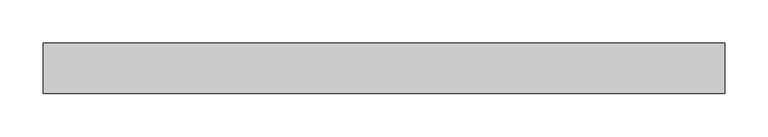
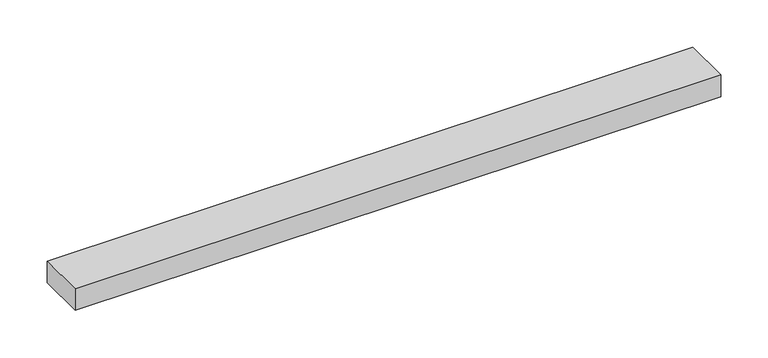
"""IFC4 building model written with IfcOpenShell, lengths in millimetres: proxy geometry."""

from ifc_helpers import new_model, si_unit, frame, origin, place, context, project, spatial, polyline, outline, extrude, source, transform, mapped, element, save


def specialty_equipment_9c6634e9(model_context):
    return source(origin(), model_context, "Body", "SweptSolid", [
        extrude(outline(polyline([(-393.7, 29.2199219), (393.7, 29.2199219), (393.7, -29.2199219), (-393.7, -29.2199219), (-393.7, 29.2199219)])), frame((0.0, 0.0, -13.9898438), z_axis=(0.0, 0.0, 1.0), x_axis=(1.0, 0.0, 0.0)), (0.0, 0.0, 1.0), 27.9796875),
    ])


if __name__ == "__main__":
    model = new_model("IFC4")
    model_context = context("Model", 3, world=origin())
    ifc_project = project(units=[si_unit("LENGTHUNIT", "METRE", prefix="MILLI")], contexts=[model_context])
    site = spatial("IfcSite", under=ifc_project)
    building = spatial("IfcBuilding", under=site)
    placement = place(None, origin())
    specialty_equipment_shape = specialty_equipment_9c6634e9(model_context)
    element("IfcBuildingElementProxy", 1, Name="Specialty Equipment", at=placement, inside=building, context=model_context, shape_type="MappedRepresentation", body=[
        mapped(specialty_equipment_shape, transform((0.0, 0.0, 0.0), x_axis=(1.0, 0.0, 0.0), y_axis=(0.0, 1.0, 0.0), z_axis=(0.0, 0.0, 1.0))),
    ])
    save(model, "model.ifc")
